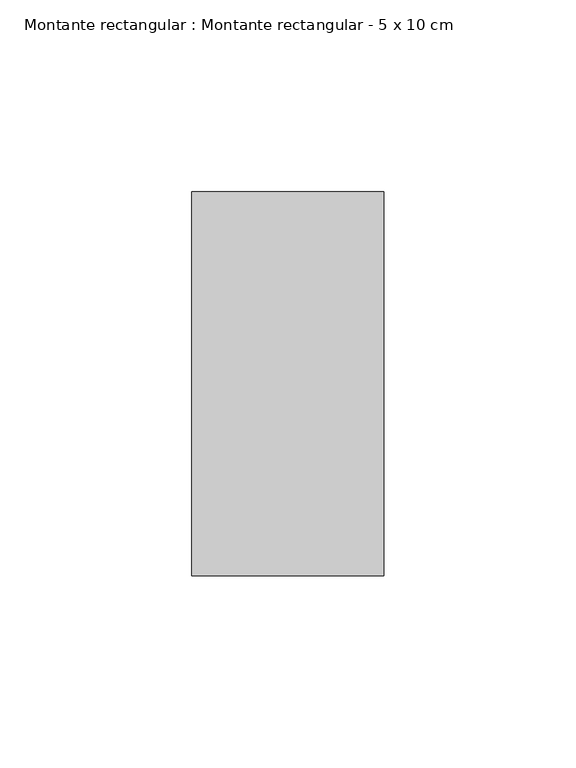
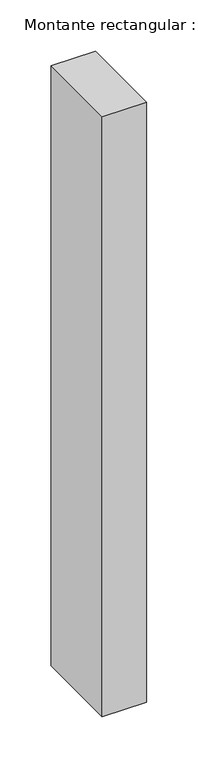
"""IFC4 building model written with IfcOpenShell, lengths in millimetres: member geometry, Montante rectangular : Montante rectangular - 5 x 10 cm."""

from ifc_helpers import new_model, si_unit, frame, origin, place, context, project, spatial, polyline, outline, extrude, source, transform, mapped, element, save


def montante_rectangular_montante_rectangular_5_x_10_cm_50eac520(model_context):
    return source(origin(), model_context, "Body", "SweptSolid", [
        extrude(outline(polyline([(0.0, 50.0), (0.0, -50.0), (-50.0, -50.0), (-50.0, 50.0), (0.0, 50.0)])), frame((0.0, 0.0, -714.7019041), z_axis=(0.0, 0.0, 1.0), x_axis=(1.0, 0.0, 0.0)), (0.0, 0.0, 1.0), 714.7019041),
    ])


if __name__ == "__main__":
    model = new_model("IFC4")
    model_context = context("Model", 3, world=origin())
    ifc_project = project(units=[si_unit("LENGTHUNIT", "METRE", prefix="MILLI")], contexts=[model_context])
    site = spatial("IfcSite", under=ifc_project)
    building = spatial("IfcBuilding", under=site)
    placement = place(None, origin())
    montante_rectangular_montante_rectangular_5_x_10_cm_shape = montante_rectangular_montante_rectangular_5_x_10_cm_50eac520(model_context)
    element("IfcMember", 1, ObjectType="Montante rectangular : Montante rectangular - 5 x 10 cm", at=placement, inside=building, context=model_context, shape_type="MappedRepresentation", body=[
        mapped(montante_rectangular_montante_rectangular_5_x_10_cm_shape, transform((0.0, 0.0, 0.0), x_axis=(1.0, 0.0, 0.0), y_axis=(0.0, 1.0, 0.0), z_axis=(0.0, 0.0, 1.0))),
    ])
    save(model, "model.ifc")
